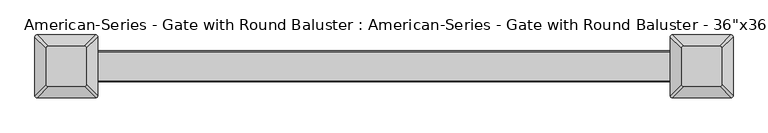
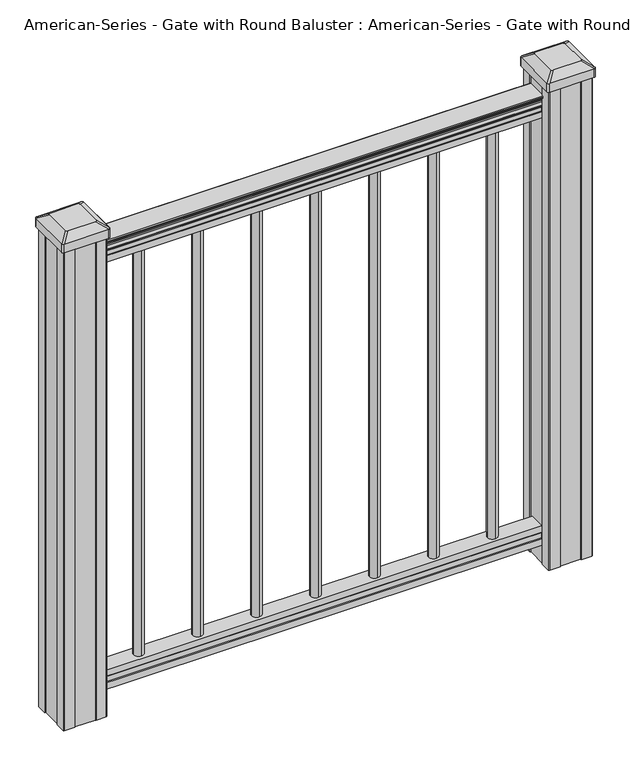
"""IFC4 building model written with IfcOpenShell, lengths in millimetres: proxy geometry."""

from ifc_helpers import new_model, si_unit, point, frame, frame_2d, origin, origin_2d, place, context, project, spatial, polyline, circle_curve, trimmed, segment, composite_curve, outline, extrude, source, transform, mapped, element, save
from ifc_brep_helpers import plane_surface, extruded_surface, advanced_brep


def proxy_f2c2901d(model_context):
    return source(origin(), model_context, "Body", "SolidModel", [
        extrude(outline(composite_curve([segment(trimmed(circle_curve(frame_2d((222.25, 0.0)), 9.525), [point((222.25, 9.525))], [point((231.775, 0.0))], False, "CARTESIAN"), True, "CONTINUOUS"), segment(trimmed(circle_curve(frame_2d((222.25, 0.0)), 9.525), [point((231.775, 0.0))], [point((222.25, -9.525))], False, "CARTESIAN"), True, "CONTINUOUS"), segment(trimmed(circle_curve(frame_2d((222.25, 0.0)), 9.525), [point((222.25, -9.525))], [point((212.725, 0.0))], False, "CARTESIAN"), True, "CONTINUOUS"), segment(trimmed(circle_curve(frame_2d((222.25, 0.0)), 9.525), [point((212.725, 0.0))], [point((222.25, 9.525))], False, "CARTESIAN"), True, "CONTINUOUS")], self_intersect=False)), frame((0.0, 0.0, 101.6), z_axis=(0.0, 0.0, 1.0), x_axis=(1.0, 0.0, 0.0)), (0.0, 0.0, 1.0), 812.8),
        extrude(outline(composite_curve([segment(trimmed(circle_curve(frame_2d((111.125, 0.0)), 9.525), [point((111.125, 9.525))], [point((120.65, 0.0))], False, "CARTESIAN"), True, "CONTINUOUS"), segment(trimmed(circle_curve(frame_2d((111.125, 0.0)), 9.525), [point((120.65, 0.0))], [point((111.125, -9.525))], False, "CARTESIAN"), True, "CONTINUOUS"), segment(trimmed(circle_curve(frame_2d((111.125, 0.0)), 9.525), [point((111.125, -9.525))], [point((101.6, 0.0))], False, "CARTESIAN"), True, "CONTINUOUS"), segment(trimmed(circle_curve(frame_2d((111.125, 0.0)), 9.525), [point((101.6, 0.0))], [point((111.125, 9.525))], False, "CARTESIAN"), True, "CONTINUOUS")], self_intersect=False)), frame((0.0, 0.0, 101.6), z_axis=(0.0, 0.0, 1.0), x_axis=(1.0, 0.0, 0.0)), (0.0, 0.0, 1.0), 812.8),
        extrude(outline(composite_curve([segment(trimmed(circle_curve(origin_2d(), 9.525), [point((0.0, 9.525))], [point((9.525, 0.0))], False, "CARTESIAN"), True, "CONTINUOUS"), segment(trimmed(circle_curve(origin_2d(), 9.525), [point((9.525, 0.0))], [point((0.0, -9.525))], False, "CARTESIAN"), True, "CONTINUOUS"), segment(trimmed(circle_curve(origin_2d(), 9.525), [point((0.0, -9.525))], [point((-9.525, 0.0))], False, "CARTESIAN"), True, "CONTINUOUS"), segment(trimmed(circle_curve(origin_2d(), 9.525), [point((-9.525, 0.0))], [point((0.0, 9.525))], False, "CARTESIAN"), True, "CONTINUOUS")], self_intersect=False)), frame((0.0, 0.0, 101.6), z_axis=(0.0, 0.0, 1.0), x_axis=(1.0, 0.0, 0.0)), (0.0, 0.0, 1.0), 812.8),
        extrude(outline(composite_curve([segment(trimmed(circle_curve(frame_2d((-111.125, 0.0)), 9.525), [point((-111.125, 9.525))], [point((-101.6, 0.0))], False, "CARTESIAN"), True, "CONTINUOUS"), segment(trimmed(circle_curve(frame_2d((-111.125, 0.0)), 9.525), [point((-101.6, 0.0))], [point((-111.125, -9.525))], False, "CARTESIAN"), True, "CONTINUOUS"), segment(trimmed(circle_curve(frame_2d((-111.125, 0.0)), 9.525), [point((-111.125, -9.525))], [point((-120.65, 0.0))], False, "CARTESIAN"), True, "CONTINUOUS"), segment(trimmed(circle_curve(frame_2d((-111.125, 0.0)), 9.525), [point((-120.65, 0.0))], [point((-111.125, 9.525))], False, "CARTESIAN"), True, "CONTINUOUS")], self_intersect=False)), frame((0.0, 0.0, 101.6), z_axis=(0.0, 0.0, 1.0), x_axis=(1.0, 0.0, 0.0)), (0.0, 0.0, 1.0), 812.8),
        extrude(outline(composite_curve([segment(trimmed(circle_curve(frame_2d((-222.25, 0.0)), 9.525), [point((-222.25, 9.525))], [point((-212.725, 0.0))], False, "CARTESIAN"), True, "CONTINUOUS"), segment(trimmed(circle_curve(frame_2d((-222.25, 0.0)), 9.525), [point((-212.725, 0.0))], [point((-222.25, -9.525))], False, "CARTESIAN"), True, "CONTINUOUS"), segment(trimmed(circle_curve(frame_2d((-222.25, 0.0)), 9.525), [point((-222.25, -9.525))], [point((-231.775, 0.0))], False, "CARTESIAN"), True, "CONTINUOUS"), segment(trimmed(circle_curve(frame_2d((-222.25, 0.0)), 9.525), [point((-231.775, 0.0))], [point((-222.25, 9.525))], False, "CARTESIAN"), True, "CONTINUOUS")], self_intersect=False)), frame((0.0, 0.0, 101.6), z_axis=(0.0, 0.0, 1.0), x_axis=(1.0, 0.0, 0.0)), (0.0, 0.0, 1.0), 812.8),
        extrude(outline(composite_curve([segment(trimmed(circle_curve(frame_2d((333.375, 0.0)), 9.525), [point((333.375, 9.525))], [point((342.9, 0.0))], False, "CARTESIAN"), True, "CONTINUOUS"), segment(trimmed(circle_curve(frame_2d((333.375, 0.0)), 9.525), [point((342.9, 0.0))], [point((333.375, -9.525))], False, "CARTESIAN"), True, "CONTINUOUS"), segment(trimmed(circle_curve(frame_2d((333.375, 0.0)), 9.525), [point((333.375, -9.525))], [point((323.85, 0.0))], False, "CARTESIAN"), True, "CONTINUOUS"), segment(trimmed(circle_curve(frame_2d((333.375, 0.0)), 9.525), [point((323.85, 0.0))], [point((333.375, 9.525))], False, "CARTESIAN"), True, "CONTINUOUS")], self_intersect=False)), frame((0.0, 0.0, 101.6), z_axis=(0.0, 0.0, 1.0), x_axis=(1.0, 0.0, 0.0)), (0.0, 0.0, 1.0), 812.8),
        extrude(outline(composite_curve([segment(trimmed(circle_curve(frame_2d((-333.375, 0.0)), 9.525), [point((-333.375, 9.525))], [point((-323.85, 0.0))], False, "CARTESIAN"), True, "CONTINUOUS"), segment(trimmed(circle_curve(frame_2d((-333.375, 0.0)), 9.525), [point((-323.85, 0.0))], [point((-333.375, -9.525))], False, "CARTESIAN"), True, "CONTINUOUS"), segment(trimmed(circle_curve(frame_2d((-333.375, 0.0)), 9.525), [point((-333.375, -9.525))], [point((-342.9, 0.0))], False, "CARTESIAN"), True, "CONTINUOUS"), segment(trimmed(circle_curve(frame_2d((-333.375, 0.0)), 9.525), [point((-342.9, 0.0))], [point((-333.375, 9.525))], False, "CARTESIAN"), True, "CONTINUOUS")], self_intersect=False)), frame((0.0, 0.0, 101.6), z_axis=(0.0, 0.0, 1.0), x_axis=(1.0, 0.0, 0.0)), (0.0, 0.0, 1.0), 812.8),
        extrude(outline(composite_curve([segment(polyline([(938.4043297, 17.4328287), (940.292412, 17.4328287)]), True, "CONTINUOUS"), segment(trimmed(circle_curve(frame_2d((946.0506383, 11.1180755)), 8.545951), [point((940.292412, 17.4328287))], [point((941.8546695, 18.563015))], False, "CARTESIAN"), True, "CONTINUOUS"), segment(trimmed(circle_curve(frame_2d((945.4636577, 11.5551384)), 7.882584), [point((941.8546695, 18.563015))], [point((949.0726458, 18.563015))], False, "CARTESIAN"), True, "CONTINUOUS"), segment(trimmed(circle_curve(frame_2d((951.3112527, 22.0684625)), 4.1592695), [point((949.0726458, 18.563015))], [point((951.5060812, 17.9137586))], True, "CARTESIAN"), True, "CONTINUOUS"), segment(trimmed(circle_curve(frame_2d((951.2508864, 23.3557691)), 5.4479907), [point((951.5060812, 17.9137586))], [point((955.8362083, 20.4137586))], True, "CARTESIAN"), True, "CONTINUOUS"), segment(trimmed(circle_curve(frame_2d((955.833395, 22.1226107)), 1.7088543), [point((955.8362083, 20.4137586))], [point((957.5157972, 21.8231011))], True, "CARTESIAN"), True, "CONTINUOUS"), segment(trimmed(circle_curve(frame_2d((958.6205318, 20.5057106)), 1.7192895), [point((957.5157972, 21.8231011))], [point((958.6205318, 22.2250001))], False, "CARTESIAN"), True, "CONTINUOUS"), segment(polyline([(958.6205318, 22.2250001), (959.9608158, 22.225)]), True, "CONTINUOUS"), segment(trimmed(circle_curve(frame_2d((959.9608158, 20.6715528)), 1.5534472), [point((959.9608158, 22.225))], [point((961.514263, 20.6715528))], False, "CARTESIAN"), True, "CONTINUOUS"), segment(polyline([(961.514263, 20.6715528), (961.514263, -20.6715528)]), True, "CONTINUOUS"), segment(trimmed(circle_curve(frame_2d((959.9608158, -20.6715528)), 1.5534472), [point((961.514263, -20.6715528))], [point((959.9608158, -22.225))], False, "CARTESIAN"), True, "CONTINUOUS"), segment(polyline([(959.9608158, -22.225), (958.6205318, -22.225)]), True, "CONTINUOUS"), segment(trimmed(circle_curve(frame_2d((958.6205318, -20.5057106)), 1.7192895), [point((958.6205318, -22.225))], [point((957.5157972, -21.8231011))], False, "CARTESIAN"), True, "CONTINUOUS"), segment(trimmed(circle_curve(frame_2d((955.833395, -22.1226107)), 1.7088543), [point((957.5157972, -21.8231011))], [point((955.8362083, -20.4137586))], True, "CARTESIAN"), True, "CONTINUOUS"), segment(trimmed(circle_curve(frame_2d((951.2508864, -23.3557691)), 5.4479907), [point((955.8362083, -20.4137586))], [point((951.5060812, -17.9137586))], True, "CARTESIAN"), True, "CONTINUOUS"), segment(trimmed(circle_curve(frame_2d((951.3112527, -22.0684625)), 4.1592695), [point((951.5060812, -17.9137586))], [point((949.0726458, -18.563015))], True, "CARTESIAN"), True, "CONTINUOUS"), segment(trimmed(circle_curve(frame_2d((945.4636577, -11.5551384)), 7.882584), [point((949.0726458, -18.563015))], [point((941.8546695, -18.563015))], False, "CARTESIAN"), True, "CONTINUOUS"), segment(trimmed(circle_curve(frame_2d((946.0506383, -11.1180755)), 8.545951), [point((941.8546695, -18.563015))], [point((940.292412, -17.4328287))], False, "CARTESIAN"), True, "CONTINUOUS"), segment(polyline([(940.292412, -17.4328287), (938.4043297, -17.4328287)]), True, "CONTINUOUS"), segment(trimmed(circle_curve(frame_2d((938.4043297, -16.1459144)), 1.2869144), [point((938.4043297, -17.4328287))], [point((938.4043297, -14.859))], False, "CARTESIAN"), True, "CONTINUOUS"), segment(polyline([(938.4043297, -14.859), (927.9048283, -14.859), (926.8888283, -15.875), (914.4, -15.875), (914.4, 15.875), (926.731013, 15.875), (927.747013, 14.859), (938.4043297, 14.859)]), True, "CONTINUOUS"), segment(trimmed(circle_curve(frame_2d((938.4043297, 16.1459144)), 1.2869144), [point((938.4043297, 14.859))], [point((938.4043297, 17.4328287))], False, "CARTESIAN"), True, "CONTINUOUS")], self_intersect=False)), frame((457.2, 0.0, 0.0), z_axis=(-1.0, 0.0, 0.0), x_axis=(0.0, 0.0, 1.0)), (0.0, 0.0, 1.0), 914.4),
        extrude(outline(polyline([(-15.9124869, 76.0541976), (-14.8964869, 77.3546183), (-14.8964869, 87.7141717), (-15.9124869, 89.0624492), (-15.9124869, 101.5958781), (15.8375131, 101.5958781), (15.8375131, 89.0458024), (14.8215131, 87.6975248), (14.8215131, 77.3858283), (15.8375131, 76.0375508), (15.8375131, 63.5), (-15.9124869, 63.5), (-15.9124869, 76.0541976)])), frame((-457.2, 0.0, 0.0), z_axis=(1.0, 0.0, 0.0), x_axis=(0.0, 1.0, 0.0)), (0.0, 0.0, 1.0), 914.4),
        advanced_brep(
        [(431.403125, 28.971875, 1012.952), (428.228125, 25.796875, 1012.952), (428.228125, -25.796875, 1012.952), (431.403125, -28.971875, 1012.952), (482.996875, -28.971875, 1012.952), (486.171875, -25.796875, 1012.952), (486.171875, 25.796875, 1012.952), (482.996875, 28.971875, 1012.952), (415.13125, 45.24375, 1001.649), (499.26875, 45.24375, 1001.649), (502.44375, 42.06875, 1001.649), (502.44375, -42.06875, 1001.649), (499.26875, -45.24375, 1001.649), (415.13125, -45.24375, 1001.649), (411.95625, -42.06875, 1001.649), (411.95625, 42.06875, 1001.649)],
        [
            (0, 1, circle_curve(frame((431.403125, 25.796875, 1012.952), z_axis=(0.0, 0.0, 1.0), x_axis=(0.0, -1.0, 0.0)), 3.175)),
            (1, 2),
            (2, 3, circle_curve(frame((431.403125, -25.796875, 1012.952), z_axis=(0.0, 0.0, 1.0), x_axis=(0.0, -1.0, 0.0)), 3.175)),
            (3, 4),
            (4, 5, circle_curve(frame((482.996875, -25.796875, 1012.952), z_axis=(0.0, 0.0, 1.0), x_axis=(0.0, -1.0, 0.0)), 3.175)),
            (5, 6),
            (6, 7, circle_curve(frame((482.996875, 25.796875, 1012.952), z_axis=(0.0, 0.0, 1.0), x_axis=(0.0, -1.0, 0.0)), 3.175)),
            (7, 0),
            (8, 9),
            (9, 10, circle_curve(frame((499.26875, 42.06875, 1001.649), z_axis=(0.0, 0.0, -1.0), x_axis=(0.0, -1.0, 0.0)), 3.175)),
            (10, 11),
            (11, 12, circle_curve(frame((499.26875, -42.06875, 1001.649), z_axis=(0.0, 0.0, -1.0), x_axis=(0.0, -1.0, 0.0)), 3.175)),
            (12, 13),
            (13, 14, circle_curve(frame((415.13125, -42.06875, 1001.649), z_axis=(0.0, 0.0, -1.0), x_axis=(0.0, -1.0, 0.0)), 3.175)),
            (14, 15),
            (15, 8, circle_curve(frame((415.13125, 42.06875, 1001.649), z_axis=(0.0, 0.0, -1.0), x_axis=(0.0, -1.0, 0.0)), 3.175)),
            (15, 1),
            (0, 8),
            (14, 2),
            (13, 3),
            (12, 4),
            (11, 5),
            (10, 6),
            (9, 7),
        ],
        [
            plane_surface(frame((457.2, 0.0, 1012.952), z_axis=(0.0, 0.0, 1.0), x_axis=(-1.0, 0.0, 0.0))),
            plane_surface(frame((457.2, 0.0, 1001.649), z_axis=(0.0, 0.0, -1.0), x_axis=(-1.0, 0.0, 0.0))),
            extruded_surface(trimmed(circle_curve(frame((415.13125, 42.06875, 1001.649), z_axis=(0.0, 0.0, 1.0), x_axis=(0.0, -1.0, 0.0)), 3.175), [point((415.13125, 45.24375, 1001.649))], [point((411.95625, 42.06875, 1001.649))], True, "CARTESIAN"), (16.271874999999966, -16.271875, 11.302999999999997), 25.63797263886614),
            plane_surface(frame((411.95625, 0.0, 1001.649), z_axis=(-0.5705009161540779, 0.0, 0.8212969649690408), x_axis=(0.0, -1.0, 0.0))),
            extruded_surface(trimmed(circle_curve(frame((415.13125, -42.06875, 1001.649), z_axis=(0.0, 0.0, 1.0), x_axis=(0.0, -1.0, 0.0)), 3.175), [point((411.95625, -42.06875, 1001.649))], [point((415.13125, -45.24375, 1001.649))], True, "CARTESIAN"), (16.271874999999966, 16.271875, 11.302999999999997), 25.63797263886614),
            plane_surface(frame((457.2, -45.24375, 1001.649), z_axis=(0.0, -0.5705009161540291, 0.8212969649690747), x_axis=(1.0, 0.0, 0.0))),
            extruded_surface(trimmed(circle_curve(frame((499.26875, -42.06875, 1001.649), z_axis=(0.0, 0.0, 1.0), x_axis=(0.0, -1.0, 0.0)), 3.175), [point((499.26875, -45.24375, 1001.649))], [point((502.44375, -42.06875, 1001.649))], True, "CARTESIAN"), (-16.271875000000023, 16.271875, 11.302999999999997), 25.637972638866177),
            plane_surface(frame((502.44375, 0.0, 1001.649), z_axis=(0.5705009161540141, 0.0, 0.8212969649690851), x_axis=(0.0, 1.0, 0.0))),
            extruded_surface(trimmed(circle_curve(frame((499.26875, 42.06875, 1001.649), z_axis=(0.0, 0.0, 1.0), x_axis=(0.0, -1.0, 0.0)), 3.175), [point((502.44375, 42.06875, 1001.649))], [point((499.26875, 45.24375, 1001.649))], True, "CARTESIAN"), (-16.271875000000023, -16.271875, 11.302999999999997), 25.637972638866177),
            plane_surface(frame((457.2, 45.24375, 1001.649), z_axis=(0.0, 0.570500916154034, 0.8212969649690713), x_axis=(-1.0, 0.0, 0.0))),
        ],
        [
            (0, [[1, 2, 3, 4, 5, 6, 7, 8]]),
            (1, [[9, 10, 11, 12, 13, 14, 15, 16]]),
            (2, [[-16, 17, -1, 18]]),
            (3, [[-15, 19, -2, -17]]),
            (4, [[-14, 20, -3, -19]]),
            (5, [[-13, 21, -4, -20]]),
            (6, [[-12, 22, -5, -21]]),
            (7, [[-11, 23, -6, -22]]),
            (8, [[-10, 24, -7, -23]]),
            (9, [[-9, -18, -8, -24]]),
        ],
    ),
        extrude(outline(composite_curve([segment(polyline([(415.13125, 45.24375), (499.26875, 45.24375)]), True, "CONTINUOUS"), segment(trimmed(circle_curve(frame_2d((499.26875, 42.06875)), 3.175), [point((499.26875, 45.24375))], [point((502.44375, 42.06875))], False, "CARTESIAN"), True, "CONTINUOUS"), segment(polyline([(502.44375, 42.06875), (502.44375, -42.06875)]), True, "CONTINUOUS"), segment(trimmed(circle_curve(frame_2d((499.26875, -42.06875)), 3.175), [point((502.44375, -42.06875))], [point((499.26875, -45.24375))], False, "CARTESIAN"), True, "CONTINUOUS"), segment(polyline([(499.26875, -45.24375), (415.13125, -45.24375)]), True, "CONTINUOUS"), segment(trimmed(circle_curve(frame_2d((415.13125, -42.06875)), 3.175), [point((415.13125, -45.24375))], [point((411.95625, -42.06875))], False, "CARTESIAN"), True, "CONTINUOUS"), segment(polyline([(411.95625, -42.06875), (411.95625, 42.06875)]), True, "CONTINUOUS"), segment(trimmed(circle_curve(frame_2d((415.13125, 42.06875)), 3.175), [point((411.95625, 42.06875))], [point((415.13125, 45.24375))], False, "CARTESIAN"), True, "CONTINUOUS")], self_intersect=False)), frame((0.0, 0.0, 984.377), z_axis=(0.0, 0.0, 1.0), x_axis=(1.0, 0.0, 0.0)), (0.0, 0.0, 1.0), 17.272),
        extrude(outline(polyline([(417.5125, 41.275), (437.134, 41.275), (437.896, 39.6875), (476.504, 39.6875), (477.266, 41.275), (496.8875, 41.275), (498.475, 39.6875), (498.475, 20.066), (496.8875, 19.304), (496.8875, -19.304), (498.475, -20.066), (498.475, -39.6875), (496.8875, -41.275), (477.266, -41.275), (476.504, -39.6875), (437.896, -39.6875), (437.134, -41.275), (417.5125, -41.275), (415.925, -39.6875), (415.925, -20.066), (417.5125, -19.304), (417.5125, 19.304), (415.925, 20.066), (415.925, 39.6875), (417.5125, 41.275)])), frame((0.0, 0.0, 28.702), z_axis=(0.0, 0.0, 1.0), x_axis=(1.0, 0.0, 0.0)), (0.0, 0.0, 1.0), 955.675),
        advanced_brep(
        [(-482.996875, 28.971875, 1012.952), (-486.171875, 25.796875, 1012.952), (-486.171875, -25.796875, 1012.952), (-482.996875, -28.971875, 1012.952), (-431.403125, -28.971875, 1012.952), (-428.228125, -25.796875, 1012.952), (-428.228125, 25.796875, 1012.952), (-431.403125, 28.971875, 1012.952), (-499.26875, 45.24375, 1001.649), (-415.13125, 45.24375, 1001.649), (-411.95625, 42.06875, 1001.649), (-411.95625, -42.06875, 1001.649), (-415.13125, -45.24375, 1001.649), (-499.26875, -45.24375, 1001.649), (-502.44375, -42.06875, 1001.649), (-502.44375, 42.06875, 1001.649)],
        [
            (0, 1, circle_curve(frame((-482.996875, 25.796875, 1012.952), z_axis=(0.0, 0.0, 1.0), x_axis=(0.0, -1.0, 0.0)), 3.175)),
            (1, 2),
            (2, 3, circle_curve(frame((-482.996875, -25.796875, 1012.952), z_axis=(0.0, 0.0, 1.0), x_axis=(0.0, -1.0, 0.0)), 3.175)),
            (3, 4),
            (4, 5, circle_curve(frame((-431.403125, -25.796875, 1012.952), z_axis=(0.0, 0.0, 1.0), x_axis=(0.0, -1.0, 0.0)), 3.175)),
            (5, 6),
            (6, 7, circle_curve(frame((-431.403125, 25.796875, 1012.952), z_axis=(0.0, 0.0, 1.0), x_axis=(0.0, -1.0, 0.0)), 3.175)),
            (7, 0),
            (8, 9),
            (9, 10, circle_curve(frame((-415.13125, 42.06875, 1001.649), z_axis=(0.0, 0.0, -1.0), x_axis=(0.0, -1.0, 0.0)), 3.175)),
            (10, 11),
            (11, 12, circle_curve(frame((-415.13125, -42.06875, 1001.649), z_axis=(0.0, 0.0, -1.0), x_axis=(0.0, -1.0, 0.0)), 3.175)),
            (12, 13),
            (13, 14, circle_curve(frame((-499.26875, -42.06875, 1001.649), z_axis=(0.0, 0.0, -1.0), x_axis=(0.0, -1.0, 0.0)), 3.175)),
            (14, 15),
            (15, 8, circle_curve(frame((-499.26875, 42.06875, 1001.649), z_axis=(0.0, 0.0, -1.0), x_axis=(0.0, -1.0, 0.0)), 3.175)),
            (15, 1),
            (0, 8),
            (14, 2),
            (13, 3),
            (12, 4),
            (11, 5),
            (10, 6),
            (9, 7),
        ],
        [
            plane_surface(frame((-457.2, 0.0, 1012.952), z_axis=(0.0, 0.0, 1.0), x_axis=(-1.0, 0.0, 0.0))),
            plane_surface(frame((-457.2, 0.0, 1001.649), z_axis=(0.0, 0.0, -1.0), x_axis=(-1.0, 0.0, 0.0))),
            extruded_surface(trimmed(circle_curve(frame((-499.26875, 42.06875, 1001.649), z_axis=(0.0, 0.0, 1.0), x_axis=(0.0, -1.0, 0.0)), 3.175), [point((-499.26875, 45.24375, 1001.649))], [point((-502.44375, 42.06875, 1001.649))], True, "CARTESIAN"), (16.271875000000023, -16.271875, 11.302999999999997), 25.637972638866177),
            plane_surface(frame((-502.44375, 0.0, 1001.649), z_axis=(-0.5705009161540779, 0.0, 0.8212969649690408), x_axis=(0.0, -1.0, 0.0))),
            extruded_surface(trimmed(circle_curve(frame((-499.26875, -42.06875, 1001.649), z_axis=(0.0, 0.0, 1.0), x_axis=(0.0, -1.0, 0.0)), 3.175), [point((-502.44375, -42.06875, 1001.649))], [point((-499.26875, -45.24375, 1001.649))], True, "CARTESIAN"), (16.271875000000023, 16.271875, 11.302999999999997), 25.637972638866177),
            plane_surface(frame((-457.2, -45.24375, 1001.649), z_axis=(0.0, -0.5705009161540291, 0.8212969649690747), x_axis=(1.0, 0.0, 0.0))),
            extruded_surface(trimmed(circle_curve(frame((-415.13125, -42.06875, 1001.649), z_axis=(0.0, 0.0, 1.0), x_axis=(0.0, -1.0, 0.0)), 3.175), [point((-415.13125, -45.24375, 1001.649))], [point((-411.95625, -42.06875, 1001.649))], True, "CARTESIAN"), (-16.271874999999966, 16.271875, 11.302999999999997), 25.63797263886614),
            plane_surface(frame((-411.95625, 0.0, 1001.649), z_axis=(0.5705009161540141, 0.0, 0.8212969649690851), x_axis=(0.0, 1.0, 0.0))),
            extruded_surface(trimmed(circle_curve(frame((-415.13125, 42.06875, 1001.649), z_axis=(0.0, 0.0, 1.0), x_axis=(0.0, -1.0, 0.0)), 3.175), [point((-411.95625, 42.06875, 1001.649))], [point((-415.13125, 45.24375, 1001.649))], True, "CARTESIAN"), (-16.271874999999966, -16.271875, 11.302999999999997), 25.63797263886614),
            plane_surface(frame((-457.2, 45.24375, 1001.649), z_axis=(0.0, 0.570500916154034, 0.8212969649690713), x_axis=(-1.0, 0.0, 0.0))),
        ],
        [
            (0, [[1, 2, 3, 4, 5, 6, 7, 8]]),
            (1, [[9, 10, 11, 12, 13, 14, 15, 16]]),
            (2, [[-16, 17, -1, 18]]),
            (3, [[-15, 19, -2, -17]]),
            (4, [[-14, 20, -3, -19]]),
            (5, [[-13, 21, -4, -20]]),
            (6, [[-12, 22, -5, -21]]),
            (7, [[-11, 23, -6, -22]]),
            (8, [[-10, 24, -7, -23]]),
            (9, [[-9, -18, -8, -24]]),
        ],
    ),
        extrude(outline(composite_curve([segment(polyline([(-499.26875, 45.24375), (-415.13125, 45.24375)]), True, "CONTINUOUS"), segment(trimmed(circle_curve(frame_2d((-415.13125, 42.06875)), 3.175), [point((-415.13125, 45.24375))], [point((-411.95625, 42.06875))], False, "CARTESIAN"), True, "CONTINUOUS"), segment(polyline([(-411.95625, 42.06875), (-411.95625, -42.06875)]), True, "CONTINUOUS"), segment(trimmed(circle_curve(frame_2d((-415.13125, -42.06875)), 3.175), [point((-411.95625, -42.06875))], [point((-415.13125, -45.24375))], False, "CARTESIAN"), True, "CONTINUOUS"), segment(polyline([(-415.13125, -45.24375), (-499.26875, -45.24375)]), True, "CONTINUOUS"), segment(trimmed(circle_curve(frame_2d((-499.26875, -42.06875)), 3.175), [point((-499.26875, -45.24375))], [point((-502.44375, -42.06875))], False, "CARTESIAN"), True, "CONTINUOUS"), segment(polyline([(-502.44375, -42.06875), (-502.44375, 42.06875)]), True, "CONTINUOUS"), segment(trimmed(circle_curve(frame_2d((-499.26875, 42.06875)), 3.175), [point((-502.44375, 42.06875))], [point((-499.26875, 45.24375))], False, "CARTESIAN"), True, "CONTINUOUS")], self_intersect=False)), frame((0.0, 0.0, 984.377), z_axis=(0.0, 0.0, 1.0), x_axis=(1.0, 0.0, 0.0)), (0.0, 0.0, 1.0), 17.272),
        extrude(outline(polyline([(-496.8875, 41.275), (-477.266, 41.275), (-476.504, 39.6875), (-437.896, 39.6875), (-437.134, 41.275), (-417.5125, 41.275), (-415.925, 39.6875), (-415.925, 20.066), (-417.5125, 19.304), (-417.5125, -19.304), (-415.925, -20.066), (-415.925, -39.6875), (-417.5125, -41.275), (-437.134, -41.275), (-437.896, -39.6875), (-476.504, -39.6875), (-477.266, -41.275), (-496.8875, -41.275), (-498.475, -39.6875), (-498.475, -20.066), (-496.8875, -19.304), (-496.8875, 19.304), (-498.475, 20.066), (-498.475, 39.6875), (-496.8875, 41.275)])), frame((0.0, 0.0, 28.702), z_axis=(0.0, 0.0, 1.0), x_axis=(1.0, 0.0, 0.0)), (0.0, 0.0, 1.0), 955.675),
    ])


if __name__ == "__main__":
    model = new_model("IFC4")
    model_context = context("Model", 3, world=origin())
    ifc_project = project(units=[si_unit("LENGTHUNIT", "METRE", prefix="MILLI")], contexts=[model_context])
    site = spatial("IfcSite", under=ifc_project)
    building = spatial("IfcBuilding", under=site)
    placement = place(None, origin())
    proxy_shape = proxy_f2c2901d(model_context)
    element("IfcBuildingElementProxy", 1, Name="American-Series - Gate with Round Baluster : American-Series - Gate with Round Baluster - 36\"x36\"", ObjectType="American-Series - Gate with Round Baluster : American-Series - Gate with Round Baluster - 36\"x36\"", at=placement, inside=building, context=model_context, shape_type="MappedRepresentation", body=[
        mapped(proxy_shape, transform((0.0, 0.0, 0.0), x_axis=(1.0, 0.0, 0.0), y_axis=(0.0, 1.0, 0.0), z_axis=(0.0, 0.0, 1.0))),
    ])
    save(model, "model.ifc")
